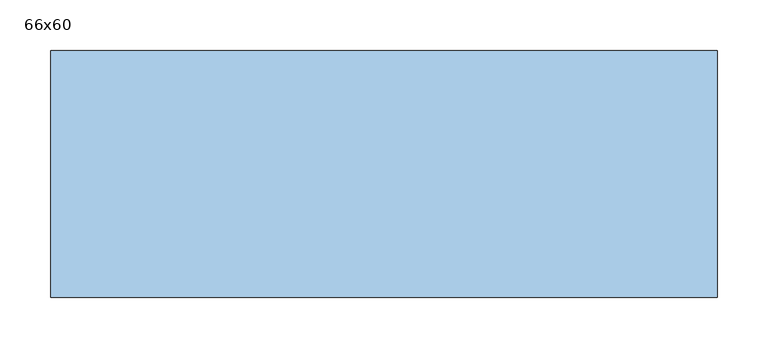
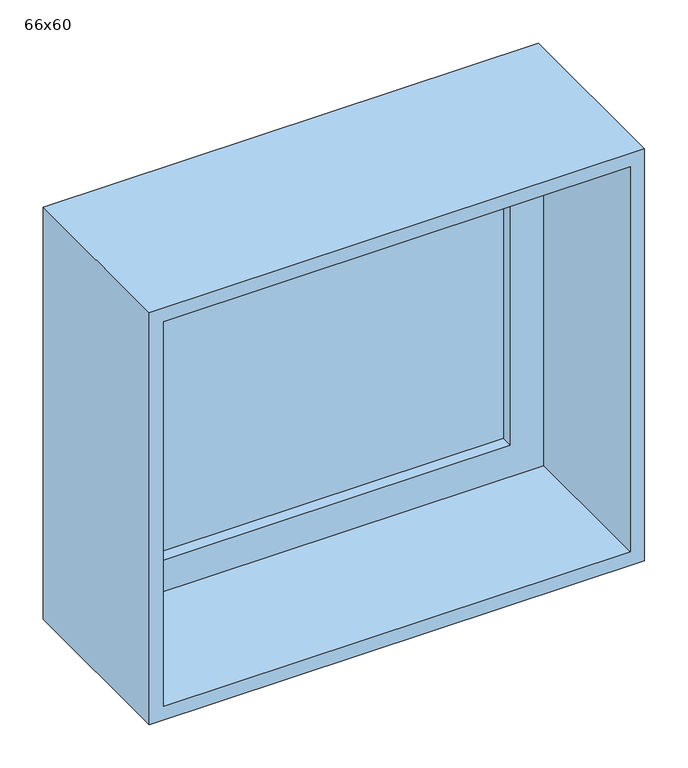
"""IFC4 building model written with IfcOpenShell, lengths in millimetres: window geometry, 66x60."""

from ifc_helpers import new_model, si_unit, frame, origin, place, context, project, spatial, polyline, outline, extrude, source, transform, mapped, element, save


def window_66x60_8e75ac4c(model_context):
    return source(origin(), model_context, "Body", "SweptSolid", [
        extrude(outline(polyline([(228.4, 68.575), (228.4, 55.875), (-304.6, 55.875), (-304.6, 68.575), (228.4, 68.575)])), frame((0.0, 0.0, 963.5), z_axis=(0.0, 0.0, 1.0), x_axis=(1.0, 0.0, 0.0)), (0.0, 0.0, 1.0), 453.0),
        extrude(outline(polyline([(1460.95, -349.05), (919.05, -349.05), (919.05, 272.85), (1460.95, 272.85), (1460.95, -349.05)]), holes=[polyline([(1416.5, -304.6), (1416.5, 228.4), (963.5, 228.4), (963.5, -304.6), (1416.5, -304.6)])]), frame((0.0, 40.0, 0.0), z_axis=(0.0, 1.0, 0.0), x_axis=(0.0, 0.0, 1.0)), (0.0, 0.0, 1.0), 44.45),
        extrude(outline(polyline([(1480.0, 291.9), (1480.0, -368.1), (900.0, -368.1), (900.0, 291.9), (1480.0, 291.9)]), holes=[polyline([(1460.95, 272.85), (919.05, 272.85), (919.05, -349.05), (1460.95, -349.05), (1460.95, 272.85)])]), frame((0.0, -160.0, 0.0), z_axis=(0.0, 1.0, 0.0), x_axis=(0.0, 0.0, 1.0)), (0.0, 0.0, 1.0), 244.45),
    ])


if __name__ == "__main__":
    model = new_model("IFC4")
    model_context = context("Model", 3, world=origin())
    ifc_project = project(units=[si_unit("LENGTHUNIT", "METRE", prefix="MILLI")], contexts=[model_context])
    site = spatial("IfcSite", under=ifc_project)
    building = spatial("IfcBuilding", under=site)
    placement = place(None, origin())
    window_66x60_shape = window_66x60_8e75ac4c(model_context)
    element("IfcWindow", 1, ObjectType="66x60", at=placement, inside=building, context=model_context, shape_type="MappedRepresentation", body=[
        mapped(window_66x60_shape, transform((0.0, 0.0, 0.0), x_axis=(1.0, 0.0, 0.0), y_axis=(0.0, 1.0, 0.0), z_axis=(0.0, 0.0, 1.0))),
    ])
    save(model, "model.ifc")
